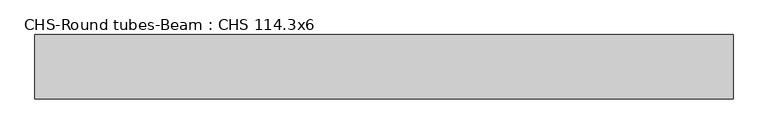
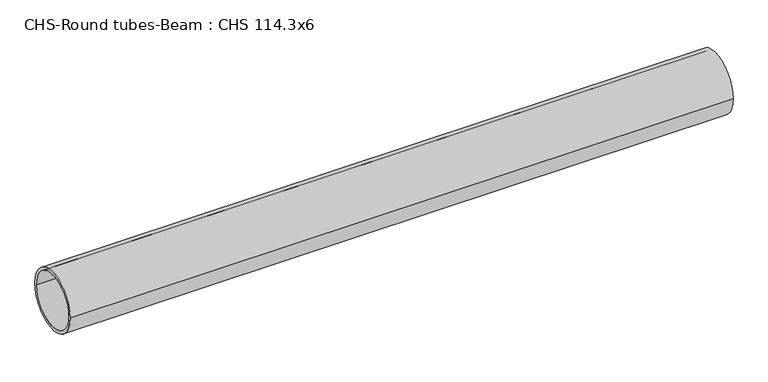
"""IFC4 building model written with IfcOpenShell, lengths in millimetres: beam geometry, CHS-Round tubes-Beam : CHS 114.3x6."""

from ifc_helpers import new_model, si_unit, point, frame, origin, origin_2d, place, context, project, spatial, circle_curve, trimmed, segment, composite_curve, outline, extrude, source, transform, mapped, element, save


def chs_round_tubes_beam_chs_114_3x6_d26d068f(model_context):
    return source(origin(), model_context, "Body", "SweptSolid", [
        extrude(outline(composite_curve([segment(trimmed(circle_curve(origin_2d(), 57.15), [point((57.15, 0.0))], [point((-57.15, 0.0))], False, "CARTESIAN"), True, "CONTINUOUS"), segment(trimmed(circle_curve(origin_2d(), 57.15), [point((-57.15, 0.0))], [point((57.15, 0.0))], False, "CARTESIAN"), True, "CONTINUOUS")], self_intersect=False), holes=[composite_curve([segment(trimmed(circle_curve(origin_2d(), 51.15), [point((51.15, 0.0))], [point((-51.15, 0.0))], True, "CARTESIAN"), True, "CONTINUOUS"), segment(trimmed(circle_curve(origin_2d(), 51.15), [point((-51.15, 0.0))], [point((51.15, 0.0))], True, "CARTESIAN"), True, "CONTINUOUS")], self_intersect=False)]), frame((-630.8497379, 0.0, 0.0), z_axis=(1.0, 0.0, 0.0), x_axis=(0.0, 1.0, 0.0)), (0.0, 0.0, 1.0), 1237.1707175),
    ])


if __name__ == "__main__":
    model = new_model("IFC4")
    model_context = context("Model", 3, world=origin())
    ifc_project = project(units=[si_unit("LENGTHUNIT", "METRE", prefix="MILLI")], contexts=[model_context])
    site = spatial("IfcSite", under=ifc_project)
    building = spatial("IfcBuilding", under=site)
    placement = place(None, origin())
    chs_round_tubes_beam_chs_114_3x6_shape = chs_round_tubes_beam_chs_114_3x6_d26d068f(model_context)
    element("IfcBeam", 1, ObjectType="CHS-Round tubes-Beam : CHS 114.3x6", at=placement, inside=building, context=model_context, shape_type="MappedRepresentation", body=[
        mapped(chs_round_tubes_beam_chs_114_3x6_shape, transform((0.0, 0.0, 0.0), x_axis=(1.0, 0.0, 0.0), y_axis=(0.0, 1.0, 0.0), z_axis=(0.0, 0.0, 1.0))),
    ])
    save(model, "model.ifc")
